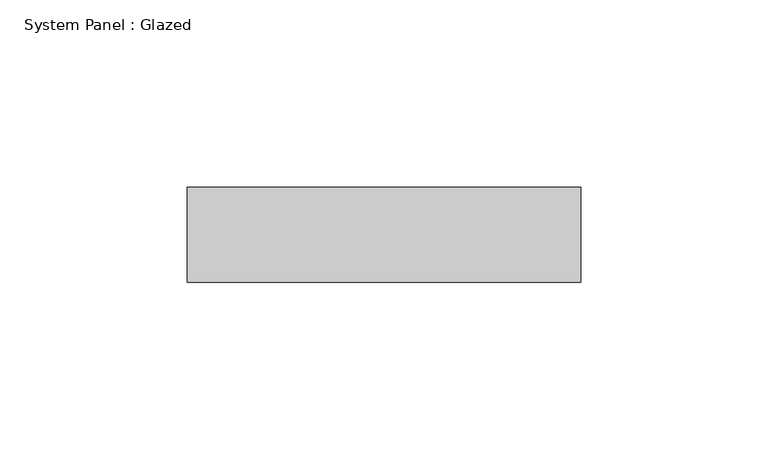
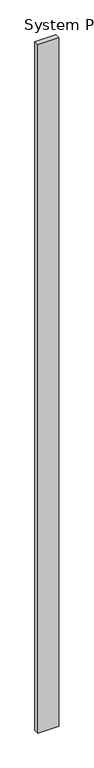
"""IFC4 building model written with IfcOpenShell, lengths in millimetres: plate geometry, System Panel : Glazed."""

from ifc_helpers import new_model, si_unit, origin, origin_with_axes, place, context, project, spatial, polyline, outline, extrude, source, transform, mapped, element, save


def system_panel_glazed_f93fdfaa(model_context):
    return source(origin(), model_context, "Body", "SweptSolid", [
        extrude(outline(polyline([(52.6236378, 19.05), (-52.6236378, 19.05), (-52.6236378, 44.45), (52.6236378, 44.45), (52.6236378, 19.05)])), origin_with_axes(), (0.0, 0.0, 1.0), 3657.6),
    ])


if __name__ == "__main__":
    model = new_model("IFC4")
    model_context = context("Model", 3, world=origin())
    ifc_project = project(units=[si_unit("LENGTHUNIT", "METRE", prefix="MILLI")], contexts=[model_context])
    site = spatial("IfcSite", under=ifc_project)
    building = spatial("IfcBuilding", under=site)
    placement = place(None, origin())
    system_panel_glazed_shape = system_panel_glazed_f93fdfaa(model_context)
    element("IfcPlate", 1, ObjectType="System Panel : Glazed", at=placement, inside=building, context=model_context, shape_type="MappedRepresentation", body=[
        mapped(system_panel_glazed_shape, transform((0.0, 0.0, 0.0), x_axis=(1.0, 0.0, 0.0), y_axis=(0.0, 1.0, 0.0), z_axis=(0.0, 0.0, 1.0))),
    ])
    save(model, "model.ifc")
